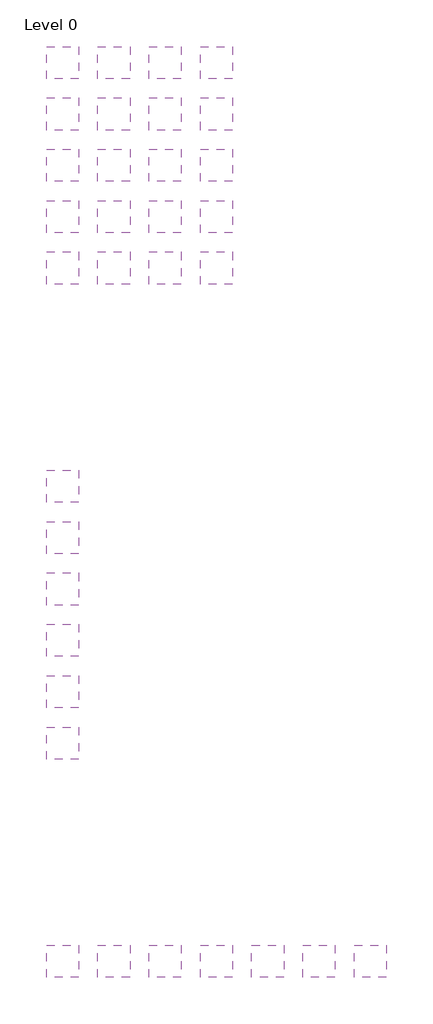
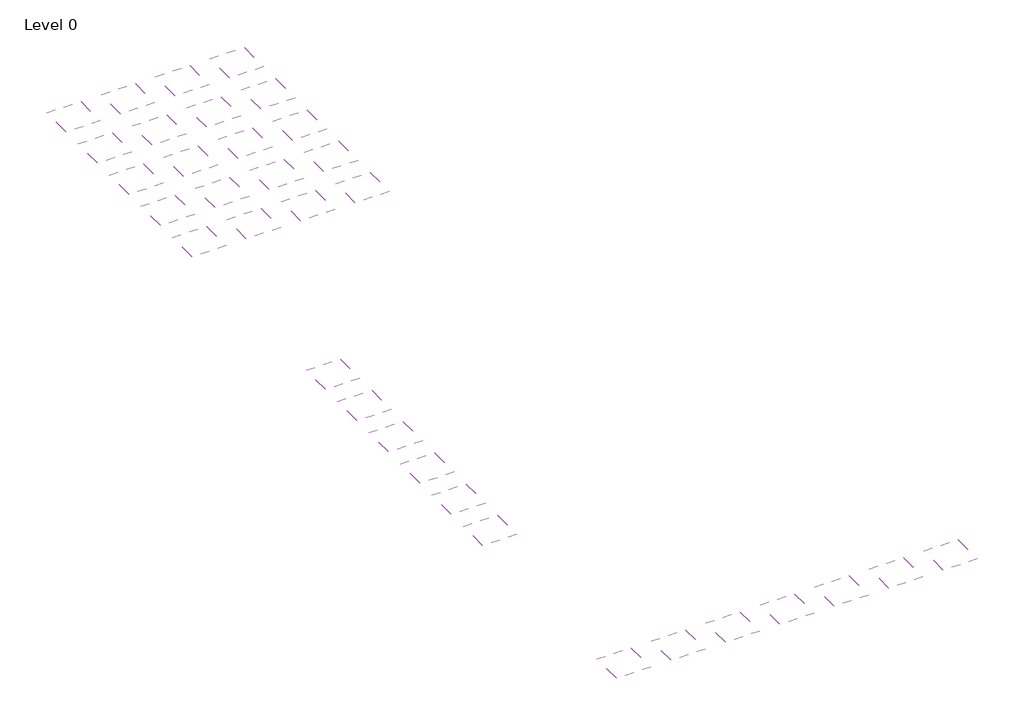
# One storey: 33 coverings.
"""IFC4 building model written with IfcOpenShell, lengths in millimetres."""

from ifc_helpers import new_model, si_unit, frame, origin, place, context, project, spatial, polyline, outline, extrude, element, save

model = new_model("IFC4")

# Units and contexts
model_context = context("Model", 3, world=origin())
ifc_project = project(units=[si_unit("LENGTHUNIT", "METRE", prefix="MILLI")], contexts=[model_context])

# Site, building, storey
site = spatial("IfcSite", under=ifc_project)
building = spatial("IfcBuilding", under=site)
storey = spatial("IfcBuildingStorey", under=building, Name="Level 0", Elevation=0.0)

# Coverings
placement = place(None, origin())
element("IfcCovering", 1, at=placement, inside=storey, context=model_context, shape_type="SweptSolid", body=[
    extrude(outline(polyline([(-9816.8087978, 4248.1093759), (-9816.8087978, 3748.1093759), (-10316.8087978, 3748.1093759), (-10316.8087978, 4248.1093759), (-9816.8087978, 4248.1093759)])), frame((0.0, 0.0, 4000.0), z_axis=(0.0, 0.0, 1.0), x_axis=(1.0, 0.0, 0.0)), (0.0, 0.0, 1.0), 11.0),
])
element("IfcCovering", 2, at=placement, inside=storey, context=model_context, shape_type="SweptSolid", body=[
    extrude(outline(polyline([(-9016.8087978, 5048.1093759), (-9016.8087978, 4548.1093759), (-9516.8087978, 4548.1093759), (-9516.8087978, 5048.1093759), (-9016.8087978, 5048.1093759)])), frame((0.0, 0.0, 4000.0), z_axis=(0.0, 0.0, 1.0), x_axis=(1.0, 0.0, 0.0)), (0.0, 0.0, 1.0), 16.0),
])
element("IfcCovering", 3, at=placement, inside=storey, context=model_context, shape_type="SweptSolid", body=[
    extrude(outline(polyline([(-9816.8087978, 3448.1093759), (-9816.8087978, 2948.1093759), (-10316.8087978, 2948.1093759), (-10316.8087978, 3448.1093759), (-9816.8087978, 3448.1093759)])), frame((0.0, 0.0, 4000.0), z_axis=(0.0, 0.0, 1.0), x_axis=(1.0, 0.0, 0.0)), (0.0, 0.0, 1.0), 11.0),
])
element("IfcCovering", 4, at=placement, inside=storey, context=model_context, shape_type="SweptSolid", body=[
    extrude(outline(polyline([(-9016.8087978, 3448.1093759), (-9016.8087978, 2948.1093759), (-9516.8087978, 2948.1093759), (-9516.8087978, 3448.1093759), (-9016.8087978, 3448.1093759)])), frame((0.0, 0.0, 4000.0), z_axis=(0.0, 0.0, 1.0), x_axis=(1.0, 0.0, 0.0)), (0.0, 0.0, 1.0), 16.0),
])
element("IfcCovering", 5, at=placement, inside=storey, context=model_context, shape_type="SweptSolid", body=[
    extrude(outline(polyline([(-8216.8087978, 3448.1093759), (-8216.8087978, 2948.1093759), (-8716.8087978, 2948.1093759), (-8716.8087978, 3448.1093759), (-8216.8087978, 3448.1093759)])), frame((0.0, 0.0, 4000.0), z_axis=(0.0, 0.0, 1.0), x_axis=(1.0, 0.0, 0.0)), (0.0, 0.0, 1.0), 16.0),
])
element("IfcCovering", 6, at=placement, inside=storey, context=model_context, shape_type="SweptSolid", body=[
    extrude(outline(polyline([(-9816.8087978, 2648.1093759), (-9816.8087978, 2148.1093759), (-10316.8087978, 2148.1093759), (-10316.8087978, 2648.1093759), (-9816.8087978, 2648.1093759)])), frame((0.0, 0.0, 4000.0), z_axis=(0.0, 0.0, 1.0), x_axis=(1.0, 0.0, 0.0)), (0.0, 0.0, 1.0), 18.0),
])
element("IfcCovering", 7, at=placement, inside=storey, context=model_context, shape_type="SweptSolid", body=[
    extrude(outline(polyline([(-9016.8087978, 2648.1093759), (-9016.8087978, 2148.1093759), (-9516.8087978, 2148.1093759), (-9516.8087978, 2648.1093759), (-9016.8087978, 2648.1093759)])), frame((0.0, 0.0, 4000.0), z_axis=(0.0, 0.0, 1.0), x_axis=(1.0, 0.0, 0.0)), (0.0, 0.0, 1.0), 29.0),
])
element("IfcCovering", 8, at=placement, inside=storey, context=model_context, shape_type="SweptSolid", body=[
    extrude(outline(polyline([(-8216.8087978, 2648.1093759), (-8216.8087978, 2148.1093759), (-8716.8087978, 2148.1093759), (-8716.8087978, 2648.1093759), (-8216.8087978, 2648.1093759)])), frame((0.0, 0.0, 4000.0), z_axis=(0.0, 0.0, 1.0), x_axis=(1.0, 0.0, 0.0)), (0.0, 0.0, 1.0), 26.0),
])
element("IfcCovering", 9, at=placement, inside=storey, context=model_context, shape_type="SweptSolid", body=[
    extrude(outline(polyline([(-7416.8087978, 2648.1093759), (-7416.8087978, 2148.1093759), (-7916.8087978, 2148.1093759), (-7916.8087978, 2648.1093759), (-7416.8087978, 2648.1093759)])), frame((0.0, 0.0, 4000.0), z_axis=(0.0, 0.0, 1.0), x_axis=(1.0, 0.0, 0.0)), (0.0, 0.0, 1.0), 30.0),
])
element("IfcCovering", 10, at=placement, inside=storey, context=model_context, shape_type="SweptSolid", body=[
    extrude(outline(polyline([(-9816.8087978, 1848.1093759), (-9816.8087978, 1348.1093759), (-10316.8087978, 1348.1093759), (-10316.8087978, 1848.1093759), (-9816.8087978, 1848.1093759)])), frame((0.0, 0.0, 4000.0), z_axis=(0.0, 0.0, 1.0), x_axis=(1.0, 0.0, 0.0)), (0.0, 0.0, 1.0), 22.0),
])
element("IfcCovering", 11, at=placement, inside=storey, context=model_context, shape_type="SweptSolid", body=[
    extrude(outline(polyline([(-9816.8087978, -2351.8906241), (-9816.8087978, -2851.8906241), (-10316.8087978, -2851.8906241), (-10316.8087978, -2351.8906241), (-9816.8087978, -2351.8906241)])), frame((0.0, 0.0, 4000.0), z_axis=(0.0, 0.0, 1.0), x_axis=(1.0, 0.0, 0.0)), (0.0, 0.0, 1.0), 17.0),
])
element("IfcCovering", 12, at=placement, inside=storey, context=model_context, shape_type="SweptSolid", body=[
    extrude(outline(polyline([(-9816.8087978, -3151.8906241), (-9816.8087978, -3651.8906241), (-10316.8087978, -3651.8906241), (-10316.8087978, -3151.8906241), (-9816.8087978, -3151.8906241)])), frame((0.0, 0.0, 4000.0), z_axis=(0.0, 0.0, 1.0), x_axis=(1.0, 0.0, 0.0)), (0.0, 0.0, 1.0), 25.0),
])
element("IfcCovering", 13, at=placement, inside=storey, context=model_context, shape_type="SweptSolid", body=[
    extrude(outline(polyline([(-9816.8087978, -3951.8906241), (-9816.8087978, -4451.8906241), (-10316.8087978, -4451.8906241), (-10316.8087978, -3951.8906241), (-9816.8087978, -3951.8906241)])), frame((0.0, 0.0, 4000.0), z_axis=(0.0, 0.0, 1.0), x_axis=(1.0, 0.0, 0.0)), (0.0, 0.0, 1.0), 34.0),
])
element("IfcCovering", 14, at=placement, inside=storey, context=model_context, shape_type="SweptSolid", body=[
    extrude(outline(polyline([(-9816.8087978, -1551.8906241), (-9816.8087978, -2051.8906241), (-10316.8087978, -2051.8906241), (-10316.8087978, -1551.8906241), (-9816.8087978, -1551.8906241)])), frame((0.0, 0.0, 4000.0), z_axis=(0.0, 0.0, 1.0), x_axis=(1.0, 0.0, 0.0)), (0.0, 0.0, 1.0), 10.0),
])
element("IfcCovering", 15, at=placement, inside=storey, context=model_context, shape_type="SweptSolid", body=[
    extrude(outline(polyline([(-9816.8087978, -8951.8906241), (-9816.8087978, -9451.8906241), (-10316.8087978, -9451.8906241), (-10316.8087978, -8951.8906241), (-9816.8087978, -8951.8906241)])), frame((0.0, 0.0, 4000.0), z_axis=(0.0, 0.0, 1.0), x_axis=(1.0, 0.0, 0.0)), (0.0, 0.0, 1.0), 15.0),
])
element("IfcCovering", 16, at=placement, inside=storey, context=model_context, shape_type="SweptSolid", body=[
    extrude(outline(polyline([(-9016.8087978, -8951.8906241), (-9016.8087978, -9451.8906241), (-9516.8087978, -9451.8906241), (-9516.8087978, -8951.8906241), (-9016.8087978, -8951.8906241)])), frame((0.0, 0.0, 4000.0), z_axis=(0.0, 0.0, 1.0), x_axis=(1.0, 0.0, 0.0)), (0.0, 0.0, 1.0), 34.0),
])
element("IfcCovering", 17, at=placement, inside=storey, context=model_context, shape_type="SweptSolid", body=[
    extrude(outline(polyline([(-8216.8087978, -8951.8906241), (-8216.8087978, -9451.8906241), (-8716.8087978, -9451.8906241), (-8716.8087978, -8951.8906241), (-8216.8087978, -8951.8906241)])), frame((0.0, 0.0, 4000.0), z_axis=(0.0, 0.0, 1.0), x_axis=(1.0, 0.0, 0.0)), (0.0, 0.0, 1.0), 21.0),
])
element("IfcCovering", 18, at=placement, inside=storey, context=model_context, shape_type="SweptSolid", body=[
    extrude(outline(polyline([(-7416.8087978, -8951.8906241), (-7416.8087978, -9451.8906241), (-7916.8087978, -9451.8906241), (-7916.8087978, -8951.8906241), (-7416.8087978, -8951.8906241)])), frame((0.0, 0.0, 4000.0), z_axis=(0.0, 0.0, 1.0), x_axis=(1.0, 0.0, 0.0)), (0.0, 0.0, 1.0), 25.0),
])
element("IfcCovering", 19, at=placement, inside=storey, context=model_context, shape_type="SweptSolid", body=[
    extrude(outline(polyline([(-8216.8087978, 1848.1093759), (-8216.8087978, 1348.1093759), (-8716.8087978, 1348.1093759), (-8716.8087978, 1848.1093759), (-8216.8087978, 1848.1093759)])), frame((0.0, 0.0, 4000.0), z_axis=(0.0, 0.0, 1.0), x_axis=(1.0, 0.0, 0.0)), (0.0, 0.0, 1.0), 37.0),
])
element("IfcCovering", 20, at=placement, inside=storey, context=model_context, shape_type="SweptSolid", body=[
    extrude(outline(polyline([(-7416.8087978, 3448.1093759), (-7416.8087978, 2948.1093759), (-7916.8087978, 2948.1093759), (-7916.8087978, 3448.1093759), (-7416.8087978, 3448.1093759)])), frame((0.0, 0.0, 4000.0), z_axis=(0.0, 0.0, 1.0), x_axis=(1.0, 0.0, 0.0)), (0.0, 0.0, 1.0), 11.0),
])
element("IfcCovering", 21, at=placement, inside=storey, context=model_context, shape_type="SweptSolid", body=[
    extrude(outline(polyline([(-8216.8087978, 5048.1093759), (-8216.8087978, 4548.1093759), (-8716.8087978, 4548.1093759), (-8716.8087978, 5048.1093759), (-8216.8087978, 5048.1093759)])), frame((0.0, 0.0, 4000.0), z_axis=(0.0, 0.0, 1.0), x_axis=(1.0, 0.0, 0.0)), (0.0, 0.0, 1.0), 16.0),
])
element("IfcCovering", 22, at=placement, inside=storey, context=model_context, shape_type="SweptSolid", body=[
    extrude(outline(polyline([(-8216.8087978, 4248.1093759), (-8216.8087978, 3748.1093759), (-8716.8087978, 3748.1093759), (-8716.8087978, 4248.1093759), (-8216.8087978, 4248.1093759)])), frame((0.0, 0.0, 4000.0), z_axis=(0.0, 0.0, 1.0), x_axis=(1.0, 0.0, 0.0)), (0.0, 0.0, 1.0), 16.0),
])
element("IfcCovering", 23, at=placement, inside=storey, context=model_context, shape_type="SweptSolid", body=[
    extrude(outline(polyline([(-7416.8087978, 5048.1093759), (-7416.8087978, 4548.1093759), (-7916.8087978, 4548.1093759), (-7916.8087978, 5048.1093759), (-7416.8087978, 5048.1093759)])), frame((0.0, 0.0, 4000.0), z_axis=(0.0, 0.0, 1.0), x_axis=(1.0, 0.0, 0.0)), (0.0, 0.0, 1.0), 11.0),
])
element("IfcCovering", 24, at=placement, inside=storey, context=model_context, shape_type="SweptSolid", body=[
    extrude(outline(polyline([(-7416.8087978, 4248.1093759), (-7416.8087978, 3748.1093759), (-7916.8087978, 3748.1093759), (-7916.8087978, 4248.1093759), (-7416.8087978, 4248.1093759)])), frame((0.0, 0.0, 4000.0), z_axis=(0.0, 0.0, 1.0), x_axis=(1.0, 0.0, 0.0)), (0.0, 0.0, 1.0), 11.0),
])
element("IfcCovering", 25, at=placement, inside=storey, context=model_context, shape_type="SweptSolid", body=[
    extrude(outline(polyline([(-7416.8087978, 1848.1093759), (-7416.8087978, 1348.1093759), (-7916.8087978, 1348.1093759), (-7916.8087978, 1848.1093759), (-7416.8087978, 1848.1093759)])), frame((0.0, 0.0, 4000.0), z_axis=(0.0, 0.0, 1.0), x_axis=(1.0, 0.0, 0.0)), (0.0, 0.0, 1.0), 56.0),
])
element("IfcCovering", 26, at=placement, inside=storey, context=model_context, shape_type="SweptSolid", body=[
    extrude(outline(polyline([(-9016.8087978, 1848.1093759), (-9016.8087978, 1348.1093759), (-9516.8087978, 1348.1093759), (-9516.8087978, 1848.1093759), (-9016.8087978, 1848.1093759)])), frame((0.0, 0.0, 4000.0), z_axis=(0.0, 0.0, 1.0), x_axis=(1.0, 0.0, 0.0)), (0.0, 0.0, 1.0), 37.0),
])
element("IfcCovering", 27, at=placement, inside=storey, context=model_context, shape_type="SweptSolid", body=[
    extrude(outline(polyline([(-9016.8087978, 4248.1093759), (-9016.8087978, 3748.1093759), (-9516.8087978, 3748.1093759), (-9516.8087978, 4248.1093759), (-9016.8087978, 4248.1093759)])), frame((0.0, 0.0, 4000.0), z_axis=(0.0, 0.0, 1.0), x_axis=(1.0, 0.0, 0.0)), (0.0, 0.0, 1.0), 16.0),
])
element("IfcCovering", 28, at=placement, inside=storey, context=model_context, shape_type="SweptSolid", body=[
    extrude(outline(polyline([(-9816.8087978, -4751.8906241), (-9816.8087978, -5251.8906241), (-10316.8087978, -5251.8906241), (-10316.8087978, -4751.8906241), (-9816.8087978, -4751.8906241)])), frame((0.0, 0.0, 4000.0), z_axis=(0.0, 0.0, 1.0), x_axis=(1.0, 0.0, 0.0)), (0.0, 0.0, 1.0), 52.0),
])
element("IfcCovering", 29, at=placement, inside=storey, context=model_context, shape_type="SweptSolid", body=[
    extrude(outline(polyline([(-9816.8087978, -5551.8906241), (-9816.8087978, -6051.8906241), (-10316.8087978, -6051.8906241), (-10316.8087978, -5551.8906241), (-9816.8087978, -5551.8906241)])), frame((0.0, 0.0, 4000.0), z_axis=(0.0, 0.0, 1.0), x_axis=(1.0, 0.0, 0.0)), (0.0, 0.0, 1.0), 64.0),
])
element("IfcCovering", 30, at=placement, inside=storey, context=model_context, shape_type="SweptSolid", body=[
    extrude(outline(polyline([(-9816.8087978, 5048.1093759), (-9816.8087978, 4548.1093759), (-10316.8087978, 4548.1093759), (-10316.8087978, 5048.1093759), (-9816.8087978, 5048.1093759)])), frame((0.0, 0.0, 4000.0), z_axis=(0.0, 0.0, 1.0), x_axis=(1.0, 0.0, 0.0)), (0.0, 0.0, 1.0), 11.0),
])
element("IfcCovering", 31, at=placement, inside=storey, context=model_context, shape_type="SweptSolid", body=[
    extrude(outline(polyline([(-6616.8087978, -8951.8906241), (-6616.8087978, -9451.8906241), (-7116.8087978, -9451.8906241), (-7116.8087978, -8951.8906241), (-6616.8087978, -8951.8906241)])), frame((0.0, 0.0, 4000.0), z_axis=(0.0, 0.0, 1.0), x_axis=(1.0, 0.0, 0.0)), (0.0, 0.0, 1.0), 34.0),
])
element("IfcCovering", 32, at=placement, inside=storey, context=model_context, shape_type="SweptSolid", body=[
    extrude(outline(polyline([(-5816.8087978, -8951.8906241), (-5816.8087978, -9451.8906241), (-6316.8087978, -9451.8906241), (-6316.8087978, -8951.8906241), (-5816.8087978, -8951.8906241)])), frame((0.0, 0.0, 4000.0), z_axis=(0.0, 0.0, 1.0), x_axis=(1.0, 0.0, 0.0)), (0.0, 0.0, 1.0), 42.0),
])
element("IfcCovering", 33, at=placement, inside=storey, context=model_context, shape_type="SweptSolid", body=[
    extrude(outline(polyline([(-5016.8087978, -8951.8906241), (-5016.8087978, -9451.8906241), (-5516.8087978, -9451.8906241), (-5516.8087978, -8951.8906241), (-5016.8087978, -8951.8906241)])), frame((0.0, 0.0, 4000.0), z_axis=(0.0, 0.0, 1.0), x_axis=(1.0, 0.0, 0.0)), (0.0, 0.0, 1.0), 58.0),
])

save(model, "model.ifc")
